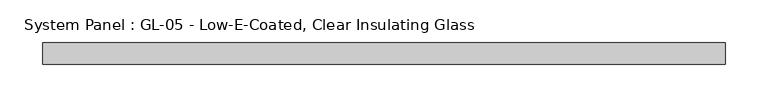
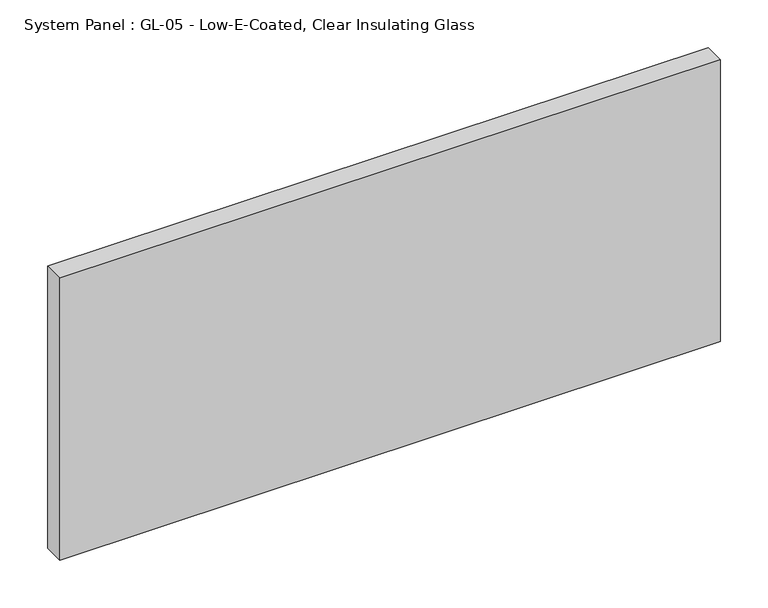
"""IFC4 building model written with IfcOpenShell, lengths in millimetres: plate geometry, System Panel : GL-05 - Low-E-Coated, Clear Insulating Glass."""

from ifc_helpers import new_model, si_unit, origin, origin_with_axes, place, context, project, spatial, polyline, outline, extrude, source, transform, mapped, element, save


def system_panel_gl_05_low_e_coated_clear_insulating_glass_58cfca1a(model_context):
    return source(origin(), model_context, "Body", "SweptSolid", [
        extrude(outline(polyline([(400.9066095, -12.7), (-400.9066095, -12.7), (-400.9066095, 12.7), (400.9066095, 12.7), (400.9066095, -12.7)])), origin_with_axes(), (0.0, 0.0, 1.0), 361.95),
    ])


if __name__ == "__main__":
    model = new_model("IFC4")
    model_context = context("Model", 3, world=origin())
    ifc_project = project(units=[si_unit("LENGTHUNIT", "METRE", prefix="MILLI")], contexts=[model_context])
    site = spatial("IfcSite", under=ifc_project)
    building = spatial("IfcBuilding", under=site)
    placement = place(None, origin())
    system_panel_gl_05_low_e_coated_clear_insulating_glass_shape = system_panel_gl_05_low_e_coated_clear_insulating_glass_58cfca1a(model_context)
    element("IfcPlate", 1, ObjectType="System Panel : GL-05 - Low-E-Coated, Clear Insulating Glass", at=placement, inside=building, context=model_context, shape_type="MappedRepresentation", body=[
        mapped(system_panel_gl_05_low_e_coated_clear_insulating_glass_shape, transform((0.0, 0.0, 0.0), x_axis=(1.0, 0.0, 0.0), y_axis=(0.0, 1.0, 0.0), z_axis=(0.0, 0.0, 1.0))),
    ])
    save(model, "model.ifc")
